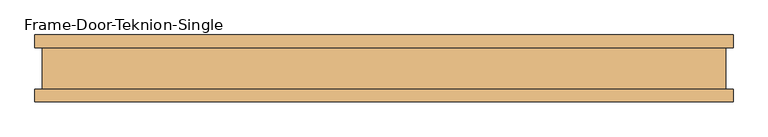
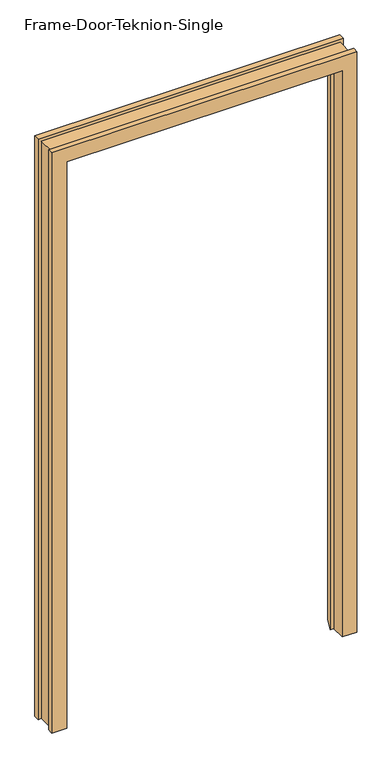
"""IFC4 building model written with IfcOpenShell, lengths in millimetres: door geometry, Frame-Door-Teknion-Single."""

from ifc_helpers import new_model, si_unit, origin, place, context, project, spatial, faceted_brep, source, transform, mapped, element, save


def frame_door_teknion_single_22a6114e(model_context):
    return source(origin(), model_context, "Body", "Brep", [
        faceted_brep([(-478.9807565, -50.8, 0.0), (-530.4157565, -50.8, 0.0), (-530.4157565, -31.5339997, 0.0), (-519.4101562, -31.5339997, 0.0), (-519.4101562, 31.5339997, 0.0), (-530.4157565, 31.5339997, 0.0), (-530.4157565, 50.8, 0.0), (-488.5054518, 50.8, 0.0), (-466.0583342, -0.7133435, 0.0), (-478.9807565, -0.7133435, 0.0), (-478.9807565, -0.7133435, 2082.165), (-478.9807565, -50.8, 2082.165), (-466.0583342, -0.7133435, 2069.2425776), (466.0583342, -0.7133435, 2069.2425776), (466.0583342, -0.7133435, 0.0), (478.9807565, -0.7133435, 0.0), (478.9807565, -0.7133435, 2082.165), (-488.5054518, 50.8, 2091.6896953), (-530.4157565, 50.8, 2133.6), (530.4157565, 50.8, 2133.6), (530.4157565, 50.8, 0.0), (488.5054518, 50.8, 0.0), (488.5054518, 50.8, 2091.6896953), (-530.4157565, 31.5339997, 2133.6), (-519.4101562, 31.5339997, 2122.5943997), (519.4101563, 31.5339997, 2122.5943997), (519.4101563, 31.5339997, 0.0), (530.4157565, 31.5339997, 0.0), (530.4157565, 31.5339997, 2133.6), (-519.4101562, -31.5339997, 2122.5943997), (-530.4157565, -31.5339997, 2133.6), (530.4157565, -31.5339997, 2133.6), (530.4157565, -31.5339997, 0.0), (519.4101563, -31.5339997, 0.0), (519.4101563, -31.5339997, 2122.5943997), (-530.4157565, -50.8, 2133.6), (478.9807565, -50.8, 2082.165), (478.9807565, -50.8, 0.0), (530.4157565, -50.8, 0.0), (530.4157565, -50.8, 2133.6)], [[[0, 1, 2, 3, 4, 5, 6, 7, 8, 9]], [[9, 10, 11, 0]], [[8, 12, 13, 14, 15, 16, 10, 9]], [[7, 17, 12, 8]], [[6, 18, 19, 20, 21, 22, 17, 7]], [[5, 23, 18, 6]], [[4, 24, 25, 26, 27, 28, 23, 5]], [[3, 29, 24, 4]], [[2, 30, 31, 32, 33, 34, 29, 3]], [[1, 35, 30, 2]], [[0, 11, 36, 37, 38, 39, 35, 1]], [[37, 15, 14, 21, 20, 27, 26, 33, 32, 38]], [[16, 15, 37, 36]], [[22, 21, 14, 13]], [[28, 27, 20, 19]], [[34, 33, 26, 25]], [[39, 38, 32, 31]], [[10, 16, 36, 11]], [[17, 22, 13, 12]], [[23, 28, 19, 18]], [[29, 34, 25, 24]], [[35, 39, 31, 30]]]),
    ])


if __name__ == "__main__":
    model = new_model("IFC4")
    model_context = context("Model", 3, world=origin())
    ifc_project = project(units=[si_unit("LENGTHUNIT", "METRE", prefix="MILLI")], contexts=[model_context])
    site = spatial("IfcSite", under=ifc_project)
    building = spatial("IfcBuilding", under=site)
    placement = place(None, origin())
    frame_door_teknion_single_shape = frame_door_teknion_single_22a6114e(model_context)
    element("IfcDoor", 1, ObjectType="Frame-Door-Teknion-Single", at=placement, inside=building, context=model_context, shape_type="MappedRepresentation", body=[
        mapped(frame_door_teknion_single_shape, transform((0.0, 0.0, 0.0), x_axis=(1.0, 0.0, 0.0), y_axis=(0.0, 1.0, 0.0), z_axis=(0.0, 0.0, 1.0))),
    ])
    save(model, "model.ifc")
